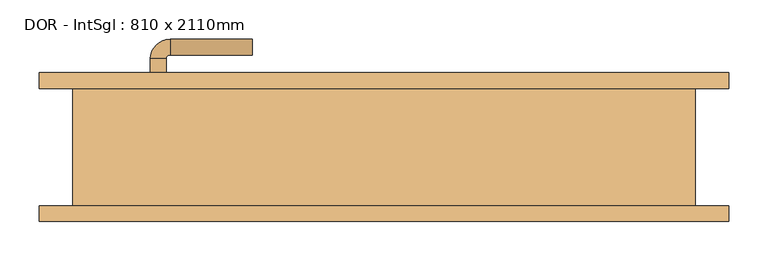
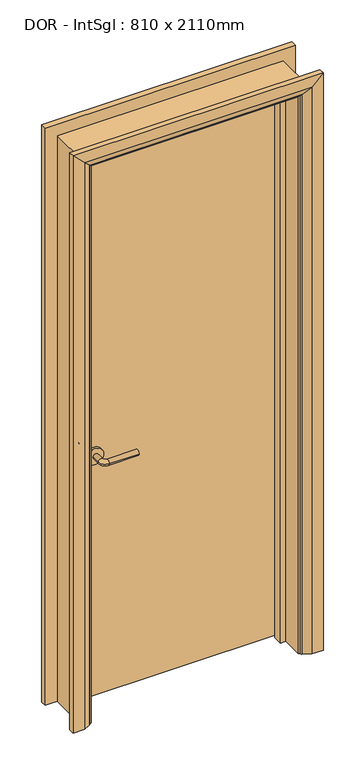
"""IFC4 building model written with IfcOpenShell, lengths in millimetres: door geometry, DOR - IntSgl : 810 x 2110mm."""

import ifcopenshell
import ifcopenshell.guid

model = None  # the IFC model being written
_history = None  # IfcOwnerHistory: only IFC2X3 demands one
_inside = {}  # id of a spatial element -> (the spatial element, [elements in it])
_under = {}  # id of a project, library or spatial element -> (it, [spatial elements below it])
_declared = {}  # id of a project -> (the project, [libraries it declares])
_typed = {}  # id of a type object -> (the type object, [elements of that type])
_made_of = {}  # id of a material, layer set ... -> (it, [elements and type objects made of it])


def new_model(schema):
    """Start an empty IFC model of exactly this schema.

    Asked for "IFC4X3", IfcOpenShell would pick the latest addendum, in which some entities
    have other attributes; the version numbers below select the first issue.
    IFC2X3 requires an IfcOwnerHistory on every rooted entity: one is made here for all.
    """
    global model, _history
    if schema == "IFC4X3":
        model = ifcopenshell.file(schema_version=(4, 3, 0, 0))
    else:
        model = ifcopenshell.file(schema=schema)
    _inside.clear()
    _under.clear()
    _declared.clear()
    _typed.clear()
    _made_of.clear()
    _history = None
    if model.schema == "IFC2X3":
        org = make("IfcOrganization", Name="unknown")
        user = make(
            "IfcPersonAndOrganization",
            ThePerson=make("IfcPerson", FamilyName="unknown"),
            TheOrganization=org,
        )
        app = make(
            "IfcApplication",
            ApplicationDeveloper=org,
            Version="unknown",
            ApplicationFullName="unknown",
            ApplicationIdentifier="unknown",
        )
        _history = make(
            "IfcOwnerHistory",
            OwningUser=user,
            OwningApplication=app,
            ChangeAction="ADDED",
            CreationDate=0,
        )
    return model


def make(cls, **values):
    """One entity of the class cls with the attributes given. An attribute that is None is left unset."""
    return model.create_entity(
        cls, **{name: value for name, value in values.items() if value is not None}
    )


def rooted(cls, **values):
    """An entity with a GlobalId (a new one), such as an element, a storey or a relation."""
    return make(cls, GlobalId=ifcopenshell.guid.new(), OwnerHistory=_history, **values)


def si_unit(unit_type, name, prefix=None):
    """IfcSIUnit, for example si_unit("LENGTHUNIT", "METRE", prefix="MILLI")."""
    return make("IfcSIUnit", UnitType=unit_type, Prefix=prefix, Name=name)


def assignment(units):
    """IfcUnitAssignment: the units of a project."""
    return None if units is None else make("IfcUnitAssignment", Units=units)


def point(xyz):
    """IfcCartesianPoint."""
    return None if xyz is None else make("IfcCartesianPoint", Coordinates=xyz)


def direction(xyz):
    """IfcDirection."""
    return None if xyz is None else make("IfcDirection", DirectionRatios=xyz)


def frame(location, z_axis=None, x_axis=None):
    """IfcAxis2Placement3D, a coordinate frame: its origin and axes. An axis left out is left unset."""
    return make(
        "IfcAxis2Placement3D",
        Location=point(location),
        Axis=direction(z_axis),
        RefDirection=direction(x_axis),
    )


def frame_2d(location, x_axis=None):
    """IfcAxis2Placement2D, a coordinate frame in the plane: its origin and x axis."""
    return make(
        "IfcAxis2Placement2D", Location=point(location), RefDirection=direction(x_axis)
    )


def origin():
    """The frame at (0, 0, 0) with its axes left unset."""
    return frame((0.0, 0.0, 0.0))


def place(relative_to, where):
    """IfcLocalPlacement: puts the frame where relative to a parent placement (None: the world)."""
    return make(
        "IfcLocalPlacement", PlacementRelTo=relative_to, RelativePlacement=where
    )


def context(
    kind, dimensions, precision=None, world=None, true_north=None, identifier=None
):
    """IfcGeometricRepresentationContext, for example the 3D "Model" context."""
    return make(
        "IfcGeometricRepresentationContext",
        ContextIdentifier=identifier,
        ContextType=kind,
        CoordinateSpaceDimension=dimensions,
        Precision=precision,
        WorldCoordinateSystem=world,
        TrueNorth=true_north,
    )


def project(units=None, contexts=None):
    """IfcProject with its units and contexts."""
    return rooted(
        "IfcProject",
        Name="project",
        RepresentationContexts=contexts,
        UnitsInContext=assignment(units),
    )


def spatial(cls, under=None, at=None, **own):
    """A site, building, storey or space (cls), placed at a placement, below another one or the project."""
    s = rooted(cls, ObjectPlacement=at, **own)
    if under is not None:
        _under.setdefault(under.id(), (under, []))[1].append(s)
    return s


def polyline(points):
    """IfcPolyline through the points."""
    return make("IfcPolyline", Points=[point(p) for p in points])


def circle_curve(where, radius):
    """IfcCircle in the frame where."""
    return make("IfcCircle", Position=where, Radius=radius)


def ellipse_curve(where, semi_axis1, semi_axis2):
    """IfcEllipse in the frame where."""
    return make(
        "IfcEllipse", Position=where, SemiAxis1=semi_axis1, SemiAxis2=semi_axis2
    )


def trimmed(basis, trim1, trim2, sense, master):
    """IfcTrimmedCurve: the piece of a basis curve between two trims."""
    return make(
        "IfcTrimmedCurve",
        BasisCurve=basis,
        Trim1=trim1,
        Trim2=trim2,
        SenseAgreement=sense,
        MasterRepresentation=master,
    )


def segment(curve, same_sense, transition):
    """IfcCompositeCurveSegment."""
    return make(
        "IfcCompositeCurveSegment",
        Transition=transition,
        SameSense=same_sense,
        ParentCurve=curve,
    )


def composite_curve(segments, self_intersect=None):
    """IfcCompositeCurve: segments joined end to end."""
    return make("IfcCompositeCurve", Segments=segments, SelfIntersect=self_intersect)


def outline(outer, holes=None, kind="AREA"):
    """IfcArbitraryClosedProfileDef: a profile drawn as a closed curve; with holes, ...WithVoids."""
    if holes is None:
        return make("IfcArbitraryClosedProfileDef", ProfileType=kind, OuterCurve=outer)
    return make(
        "IfcArbitraryProfileDefWithVoids",
        ProfileType=kind,
        OuterCurve=outer,
        InnerCurves=holes,
    )


def extrude(swept, where, along, depth):
    """IfcExtrudedAreaSolid: the profile swept, set in the frame where, extruded along a direction by depth."""
    return make(
        "IfcExtrudedAreaSolid",
        SweptArea=swept,
        Position=where,
        ExtrudedDirection=direction(along),
        Depth=depth,
    )


def faces_of(points, faces, orient=None, outer=None):
    """IfcFace entities. A face is a list of loops; a loop is a list of indices into points, from 0.

    orient and outer hold one flag for each loop. By default every Orientation is true, the
    first loop of a face is its IfcFaceOuterBound and the others are IfcFaceBound.
    """
    made = []
    for i, loops in enumerate(faces):
        bounds = []
        for j, loop in enumerate(loops):
            is_outer = j == 0 if outer is None else outer[i][j]
            bounds.append(
                make(
                    "IfcFaceOuterBound" if is_outer else "IfcFaceBound",
                    Bound=make("IfcPolyLoop", Polygon=[points[k] for k in loop]),
                    Orientation=True if orient is None else orient[i][j],
                )
            )
        made.append(make("IfcFace", Bounds=bounds))
    return made


def faceted_brep(points, faces, orient=None, outer=None, voids=None):
    """IfcFacetedBrep: a solid bounded by flat faces; with voids (closed shells), ...WithVoids."""
    shared = [point(p) for p in points]
    hull = make("IfcClosedShell", CfsFaces=faces_of(shared, faces, orient, outer))
    if voids is None:
        return make("IfcFacetedBrep", Outer=hull)
    return make(
        "IfcFacetedBrepWithVoids",
        Outer=hull,
        Voids=[
            make(cls, CfsFaces=faces_of(shared, fs, o, b)) for cls, fs, o, b in voids
        ],
    )


def shape(context_of_items, identifier, shape_type, items):
    """IfcShapeRepresentation: the items that make up one representation, for example the "Body"."""
    return make(
        "IfcShapeRepresentation",
        ContextOfItems=context_of_items,
        RepresentationIdentifier=identifier,
        RepresentationType=shape_type,
        Items=items,
    )


def source(mapping_origin, context_of_items, identifier, shape_type, items):
    """IfcRepresentationMap: a shape defined once, which mapped items show again and again."""
    return make(
        "IfcRepresentationMap",
        MappingOrigin=mapping_origin,
        MappedRepresentation=shape(context_of_items, identifier, shape_type, items),
    )


def transform(
    local_origin,
    x_axis=None,
    y_axis=None,
    z_axis=None,
    scale=None,
    scale2=None,
    scale3=None,
    uniform=True,
):
    """IfcCartesianTransformationOperator3D, or its non-uniform kind. x_axis, y_axis, z_axis: its Axis1, 2, 3."""
    if uniform:
        return make(
            "IfcCartesianTransformationOperator3D",
            Axis1=direction(x_axis),
            Axis2=direction(y_axis),
            LocalOrigin=point(local_origin),
            Scale=scale,
            Axis3=direction(z_axis),
        )
    return make(
        "IfcCartesianTransformationOperator3DnonUniform",
        Axis1=direction(x_axis),
        Axis2=direction(y_axis),
        LocalOrigin=point(local_origin),
        Scale=scale,
        Axis3=direction(z_axis),
        Scale2=scale2,
        Scale3=scale3,
    )


def mapped(mapping_source, mapping_target):
    """IfcMappedItem: shows the shape of a source again, moved by a transform."""
    return make(
        "IfcMappedItem", MappingSource=mapping_source, MappingTarget=mapping_target
    )


def made_of(thing, what):
    """Note that an element or type object is made of a material, layer set ...; save() writes the relation."""
    if what is not None:
        _made_of.setdefault(what.id(), (what, []))[1].append(thing)
    return thing


def element(
    cls,
    number,
    at=None,
    inside=None,
    cuts=None,
    type_object=None,
    material=None,
    context=None,
    identifier="Body",
    shape_type=None,
    held_by="IfcProductDefinitionShape",
    body=None,
    shapes=None,
    **own,
):
    """One element of the class cls, such as IfcWall. Its Tag is "e" and its number.

    at: its placement. inside: the storey or other place that contains it. cuts: it is an
    opening in that element (IfcRelVoidsElement). A single representation is given by context,
    identifier, shape_type and body (its items); several are given by shapes. held_by: the class
    of the entity that holds the representations. save() writes the other relations.
    """
    e = rooted(cls, Tag="e%d" % number, ObjectPlacement=at, **own)
    if body is not None:
        shapes = [shape(context, identifier, shape_type, body)]
    if shapes is not None:
        e.Representation = make(held_by, Representations=shapes)
    if inside is not None:
        _inside.setdefault(inside.id(), (inside, []))[1].append(e)
    if cuts is not None:
        rooted(
            "IfcRelVoidsElement", RelatingBuildingElement=cuts, RelatedOpeningElement=e
        )
    if type_object is not None:
        _typed.setdefault(type_object.id(), (type_object, []))[1].append(e)
    return made_of(e, material)


def aggregate(whole, parts):
    """IfcRelAggregates: a whole, such as a stair, and the parts it consists of."""
    return rooted("IfcRelAggregates", RelatingObject=whole, RelatedObjects=parts)


def save(model, path):
    """Write the relations noted so far, then the file.

    IfcRelAggregates (storeys below a building ...), IfcRelContainedInSpatialStructure (elements
    in a storey), IfcRelDefinesByType, IfcRelAssociatesMaterial and IfcRelDeclares: one each for
    every whole, place, type object, material and project.
    """
    for whole, parts in _under.values():
        aggregate(whole, parts)
    for where, things in _inside.values():
        rooted(
            "IfcRelContainedInSpatialStructure",
            RelatedElements=things,
            RelatingStructure=where,
        )
    for kind, things in _typed.values():
        rooted("IfcRelDefinesByType", RelatedObjects=things, RelatingType=kind)
    for what, things in _made_of.values():
        rooted("IfcRelAssociatesMaterial", RelatedObjects=things, RelatingMaterial=what)
    for by, libraries in _declared.values():
        rooted("IfcRelDeclares", RelatingContext=by, RelatedDefinitions=libraries)
    model.write(path)


def plane_surface(at):
    """IfcPlane: the flat surface through the origin of the frame at, square to its z axis."""
    return make("IfcPlane", Position=at)


def cylinder_surface(at, radius):
    """IfcCylindricalSurface: all points at the distance radius from the z axis of the frame at."""
    return make("IfcCylindricalSurface", Position=at, Radius=radius)


def revolved_surface(curve, axis_point, axis_direction):
    """IfcSurfaceOfRevolution: the curve turned about the line through axis_point along axis_direction."""
    return make(
        "IfcSurfaceOfRevolution",
        SweptCurve=make("IfcArbitraryOpenProfileDef", ProfileType="CURVE", Curve=curve),
        AxisPosition=make("IfcAxis1Placement", Location=point(axis_point), Axis=direction(axis_direction)),
    )


def advanced_brep(points, edges, surfaces, faces):
    """IfcAdvancedBrep: a solid bounded by faces that lie on surfaces and meet in shared edges.

    An edge is (start, end): straight between two places in points (the first is 0);
    or (start, end, curve); or (start, end, curve, False) where it runs against its curve.
    A face is (place in surfaces, loops), or (place, loops, False) where it looks against
    its surface's normal. A loop lists edges by number (the first is 1), with a minus sign
    where the edge is run from its end to its start. The first loop is the outer one.
    """
    corners = [point(p) for p in points]
    vertices = [make("IfcVertexPoint", VertexGeometry=c) for c in corners]
    made = []
    for start, end, *more in edges:
        made.append(
            make(
                "IfcEdgeCurve",
                EdgeStart=vertices[start],
                EdgeEnd=vertices[end],
                EdgeGeometry=more[0] if more else make("IfcPolyline", Points=[corners[start], corners[end]]),
                SameSense=more[1] if len(more) > 1 else True,
            )
        )
    hull = []
    for where, loops, *sense in faces:
        bounds = []
        for j, loop in enumerate(loops):
            ring = [make("IfcOrientedEdge", EdgeElement=made[abs(k) - 1], Orientation=k > 0) for k in loop]
            bounds.append(
                make(
                    "IfcFaceOuterBound" if j == 0 else "IfcFaceBound",
                    Bound=make("IfcEdgeLoop", EdgeList=ring),
                    Orientation=True,
                )
            )
        hull.append(make("IfcAdvancedFace", Bounds=bounds, FaceSurface=surfaces[where], SameSense=sense[0] if sense else True))
    return make("IfcAdvancedBrep", Outer=make("IfcClosedShell", CfsFaces=hull))


def dor_intsgl_810_x_2110mm_f0e9b610(model_context):
    return source(origin(), model_context, "Body", "SolidModel", [
        advanced_brep(
        [(-298.0, 29.0, 900.0), (-278.0, 29.0, 900.0), (-278.0, -1.0, 900.0), (-298.0, -1.0, 900.0), (-273.0, -6.0, 900.0), (-273.0, -26.0, 900.0), (-168.0, -26.0, 900.0), (-168.0, -6.0, 900.0)],
        [
            (0, 1, circle_curve(frame((-288.0, 29.0, 900.0), z_axis=(0.0, 1.0, 0.0), x_axis=(1.0, 0.0, 0.0)), 10.0)),
            (1, 0, circle_curve(frame((-288.0, 29.0, 900.0), z_axis=(0.0, 1.0, 0.0), x_axis=(1.0, 0.0, 0.0)), 10.0)),
            (1, 2),
            (2, 3, circle_curve(frame((-288.0, -1.0, 900.0), z_axis=(0.0, 1.0, 0.0), x_axis=(1.0, 0.0, 0.0)), 10.0)),
            (3, 0),
            (3, 2, circle_curve(frame((-288.0, -1.0, 900.0), z_axis=(0.0, 1.0, 0.0), x_axis=(1.0, 0.0, 0.0)), 10.0)),
            (4, 5, circle_curve(frame((-273.0, -16.0, 900.0), z_axis=(-1.0, 0.0, 0.0), x_axis=(0.0, 1.0, 0.0)), 10.0)),
            (5, 3, circle_curve(frame((-273.0, -1.0, 900.0), z_axis=(0.0, 0.0, -1.0), x_axis=(-1.0, 0.0, 0.0)), 25.0)),
            (2, 4, circle_curve(frame((-273.0, -1.0, 900.0), z_axis=(0.0, 0.0, 1.0), x_axis=(-1.0, 0.0, 0.0)), 5.0)),
            (5, 4, circle_curve(frame((-273.0, -16.0, 900.0), z_axis=(-1.0, 0.0, 0.0), x_axis=(0.0, 1.0, 0.0)), 10.0)),
            (6, 7, circle_curve(frame((-168.0, -16.0, 900.0), z_axis=(1.0, 0.0, 0.0), x_axis=(0.0, 1.0, 0.0)), 10.0)),
            (7, 6, circle_curve(frame((-168.0, -16.0, 900.0), z_axis=(1.0, 0.0, 0.0), x_axis=(0.0, 1.0, 0.0)), 10.0)),
            (4, 7),
            (6, 5),
        ],
        [
            plane_surface(frame((-288.0, 29.0, 900.0), z_axis=(0.0, 1.0, 0.0), x_axis=(0.0, 0.0, 1.0))),
            cylinder_surface(frame((-288.0, 29.0, 900.0), z_axis=(0.0, 1.0, 0.0), x_axis=(1.0, 0.0, 0.0)), 10.0),
            revolved_surface(trimmed(ellipse_curve(frame((-288.0, -1.0, 900.0), z_axis=(0.0, -1.0, 0.0), x_axis=(1.0, 0.0, 0.0)), 10.0, 10.0), [point((-298.0, -1.0, 900.0))], [point((-278.0, -1.0, 900.0))], True, "CARTESIAN"), (-273.0, -1.0, 900.0), (0.0, 0.0, -1.0)),
            revolved_surface(trimmed(ellipse_curve(frame((-288.0, -1.0, 900.0), z_axis=(0.0, -1.0, 0.0), x_axis=(1.0, 0.0, 0.0)), 10.0, 10.0), [point((-278.0, -1.0, 900.0))], [point((-298.0, -1.0, 900.0))], True, "CARTESIAN"), (-273.0, -1.0, 900.0), (0.0, 0.0, -1.0)),
            plane_surface(frame((-168.0, -16.0, 900.0), z_axis=(1.0, 0.0, 0.0), x_axis=(0.0, 0.0, 1.0))),
            cylinder_surface(frame((-273.0, -16.0, 900.0), z_axis=(-1.0, 0.0, 0.0), x_axis=(0.0, 1.0, 0.0)), 10.0),
        ],
        [
            (0, [[1, 2]]),
            (1, [[3, 4, 5, -2]]),
            (1, [[-5, 6, -3, -1]]),
            (2, [[7, 8, -4, 9]]),
            (3, [[10, -9, -6, -8]]),
            (4, [[11, 12]]),
            (5, [[13, -11, 14, -7]]),
            (5, [[-14, -12, -13, -10]]),
        ],
    ),
        extrude(outline(composite_curve([segment(trimmed(circle_curve(frame_2d((900.0, -290.5)), 30.0), [point((900.0, -320.5))], [point((900.0, -260.5))], False, "CARTESIAN"), True, "CONTINUOUS"), segment(trimmed(circle_curve(frame_2d((900.0, -290.5)), 30.0), [point((900.0, -260.5))], [point((900.0, -320.5))], False, "CARTESIAN"), True, "CONTINUOUS")], self_intersect=False)), frame((0.0, 29.0, 0.0), z_axis=(0.0, 1.0, 0.0), x_axis=(0.0, 0.0, 1.0)), (0.0, 0.0, 1.0), 8.0),
        advanced_brep(
        [(-298.0, 83.0, 900.0), (-278.0, 83.0, 900.0), (-298.0, 113.0, 900.0), (-278.0, 113.0, 900.0), (-273.0, 118.0, 900.0), (-273.0, 138.0, 900.0), (-168.0, 138.0, 900.0), (-168.0, 118.0, 900.0)],
        [
            (0, 1, circle_curve(frame((-288.0, 83.0, 900.0), z_axis=(0.0, -1.0, 0.0), x_axis=(1.0, 0.0, 0.0)), 10.0)),
            (1, 0, circle_curve(frame((-288.0, 83.0, 900.0), z_axis=(0.0, -1.0, 0.0), x_axis=(1.0, 0.0, 0.0)), 10.0)),
            (0, 2),
            (2, 3, circle_curve(frame((-288.0, 113.0, 900.0), z_axis=(0.0, -1.0, 0.0), x_axis=(1.0, 0.0, 0.0)), 10.0)),
            (3, 1),
            (3, 2, circle_curve(frame((-288.0, 113.0, 900.0), z_axis=(0.0, -1.0, 0.0), x_axis=(1.0, 0.0, 0.0)), 10.0)),
            (4, 3, circle_curve(frame((-273.0, 113.0, 900.0), z_axis=(0.0, 0.0, 1.0), x_axis=(-1.0, 0.0, 0.0)), 5.0)),
            (2, 5, circle_curve(frame((-273.0, 113.0, 900.0), z_axis=(0.0, 0.0, -1.0), x_axis=(-1.0, 0.0, 0.0)), 25.0)),
            (5, 4, circle_curve(frame((-273.0, 128.0, 900.0), z_axis=(-1.0, 0.0, 0.0), x_axis=(0.0, -1.0, 0.0)), 10.0)),
            (4, 5, circle_curve(frame((-273.0, 128.0, 900.0), z_axis=(-1.0, 0.0, 0.0), x_axis=(0.0, -1.0, 0.0)), 10.0)),
            (6, 7, circle_curve(frame((-168.0, 128.0, 900.0), z_axis=(1.0, 0.0, 0.0), x_axis=(0.0, -1.0, 0.0)), 10.0)),
            (7, 6, circle_curve(frame((-168.0, 128.0, 900.0), z_axis=(1.0, 0.0, 0.0), x_axis=(0.0, -1.0, 0.0)), 10.0)),
            (5, 6),
            (7, 4),
        ],
        [
            plane_surface(frame((-288.0, 83.0, 900.0), z_axis=(0.0, -1.0, 0.0), x_axis=(0.0, 0.0, 1.0))),
            cylinder_surface(frame((-288.0, 83.0, 900.0), z_axis=(0.0, -1.0, 0.0), x_axis=(1.0, 0.0, 0.0)), 10.0),
            revolved_surface(trimmed(ellipse_curve(frame((-288.0, 113.0, 900.0), z_axis=(0.0, -1.0, 0.0), x_axis=(1.0, 0.0, 0.0)), 10.0, 10.0), [point((-298.0, 113.0, 900.0))], [point((-278.0, 113.0, 900.0))], True, "CARTESIAN"), (-273.0, 113.0, 900.0), (0.0, 0.0, -1.0)),
            revolved_surface(trimmed(ellipse_curve(frame((-288.0, 113.0, 900.0), z_axis=(0.0, -1.0, 0.0), x_axis=(1.0, 0.0, 0.0)), 10.0, 10.0), [point((-278.0, 113.0, 900.0))], [point((-298.0, 113.0, 900.0))], True, "CARTESIAN"), (-273.0, 113.0, 900.0), (0.0, 0.0, -1.0)),
            plane_surface(frame((-168.0, 128.0, 900.0), z_axis=(1.0, 0.0, 0.0), x_axis=(0.0, 0.0, 1.0))),
            cylinder_surface(frame((-273.0, 128.0, 900.0), z_axis=(-1.0, 0.0, 0.0), x_axis=(0.0, -1.0, 0.0)), 10.0),
        ],
        [
            (0, [[1, 2]]),
            (1, [[-1, 3, 4, 5]]),
            (1, [[-2, -5, 6, -3]]),
            (2, [[7, -4, 8, 9]]),
            (3, [[-8, -6, -7, 10]]),
            (4, [[11, 12]]),
            (5, [[-9, 13, -12, 14]]),
            (5, [[-10, -14, -11, -13]]),
        ],
    ),
        extrude(outline(composite_curve([segment(trimmed(circle_curve(frame_2d((900.0, -290.5)), 30.0), [point((900.0, -320.5))], [point((900.0, -260.5))], False, "CARTESIAN"), True, "CONTINUOUS"), segment(trimmed(circle_curve(frame_2d((900.0, -290.5)), 30.0), [point((900.0, -260.5))], [point((900.0, -320.5))], False, "CARTESIAN"), True, "CONTINUOUS")], self_intersect=False)), frame((0.0, 75.0, 0.0), z_axis=(0.0, 1.0, 0.0), x_axis=(0.0, 0.0, 1.0)), (0.0, 0.0, 1.0), 8.0),
        extrude(outline(polyline([(363.0, 37.0), (-363.0, 37.0), (-363.0, 75.0), (363.0, 75.0), (363.0, 37.0)])), frame((0.0, 0.0, 8.0), z_axis=(0.0, 0.0, 1.0), x_axis=(1.0, 0.0, 0.0)), (0.0, 0.0, 1.0), 2060.0),
        advanced_brep(
        [(440.0, 95.0, 0.0), (440.0, 75.0, 0.0), (370.0, 75.0, 0.0), (374.0, 81.0, 0.0), (400.0, 95.0, 0.0), (440.0, 95.0, 2145.0), (440.0, 75.0, 2145.0), (-440.0, 75.0, 2145.0), (-440.0, 75.0, 0.0), (-370.0, 75.0, 0.0), (-370.0, 75.0, 2075.0), (370.0, 75.0, 2075.0), (374.0, 81.0, 2079.0), (400.0, 95.0, 2105.0), (-400.0, 95.0, 2105.0), (-400.0, 95.0, 0.0), (-440.0, 95.0, 0.0), (-440.0, 95.0, 2145.0), (-374.0, 81.0, 2079.0), (-374.0, 81.0, 0.0)],
        [
            (0, 1),
            (1, 2),
            (2, 3, circle_curve(frame((378.0, 74.0, 0.0), z_axis=(0.0, 0.0, -1.0), x_axis=(1.0, 0.0, 0.0)), 8.0622577)),
            (3, 4),
            (4, 0),
            (0, 5),
            (5, 6),
            (6, 1),
            (6, 7),
            (7, 8),
            (8, 9),
            (9, 10),
            (10, 11),
            (11, 2),
            (11, 12, ellipse_curve(frame((378.0, 74.0, 2083.0), z_axis=(0.7071067811865475, 0.0, -0.7071067811865475), x_axis=(-0.7071067811865474, 0.0, -0.7071067811865476)), 11.4017543, 8.0622577)),
            (12, 3),
            (12, 13),
            (13, 4),
            (13, 14),
            (14, 15),
            (15, 16),
            (16, 17),
            (17, 5),
            (17, 7),
            (10, 18, ellipse_curve(frame((-378.0, 74.0, 2083.0), z_axis=(0.7071067811865475, 0.0, 0.7071067811865475), x_axis=(0.7071067811865476, 0.0, -0.7071067811865474)), 11.4017543, 8.0622577)),
            (18, 12),
            (18, 14),
            (15, 19),
            (19, 9, circle_curve(frame((-378.0, 74.0, 0.0), z_axis=(0.0, 0.0, -1.0), x_axis=(-1.0, 0.0, 0.0)), 8.0622577)),
            (8, 16),
            (19, 18),
        ],
        [
            plane_surface(frame((370.0, 75.0, 0.0), z_axis=(0.0, 0.0, -1.0), x_axis=(0.0, -1.0, 0.0))),
            plane_surface(frame((440.0, 95.0, 0.0), z_axis=(1.0, 0.0, 0.0), x_axis=(0.0, 0.0, 1.0))),
            plane_surface(frame((440.0, 75.0, 0.0), z_axis=(0.0, -1.0, 0.0), x_axis=(0.0, 0.0, 1.0))),
            cylinder_surface(frame((378.0, 74.0, 0.0), z_axis=(0.0, 0.0, -1.0), x_axis=(1.0, 0.0, 0.0)), 8.0622577),
            plane_surface(frame((374.0, 81.0, 0.0), z_axis=(-0.4740998230350126, 0.880471099922178, 0.0), x_axis=(0.0, 0.0, 1.0))),
            plane_surface(frame((400.0, 95.0, 0.0), z_axis=(0.0, 1.0, 0.0), x_axis=(0.0, 0.0, 1.0))),
            plane_surface(frame((440.0, 95.0, 2145.0), z_axis=(0.0, 0.0, 1.0), x_axis=(-1.0, 0.0, 0.0))),
            cylinder_surface(frame((370.0, 74.0, 2083.0), z_axis=(1.0, 0.0, 0.0), x_axis=(0.0, 0.0, 1.0)), 8.0622577),
            plane_surface(frame((374.0, 81.0, 2079.0), z_axis=(0.0, 0.8804710999221764, -0.4740998230350154), x_axis=(-1.0, 0.0, 0.0))),
            plane_surface(frame((-370.0, 75.0, 0.0), z_axis=(0.0, 0.0, -1.0), x_axis=(0.0, -1.0, 0.0))),
            plane_surface(frame((-440.0, 95.0, 2145.0), z_axis=(-1.0, 0.0, 0.0), x_axis=(0.0, 0.0, -1.0))),
            cylinder_surface(frame((-378.0, 74.0, 2075.0), z_axis=(0.0, 0.0, 1.0), x_axis=(-1.0, 0.0, 0.0)), 8.0622577),
            plane_surface(frame((-374.0, 81.0, 2079.0), z_axis=(0.47409982303501824, 0.8804710999221749, 0.0), x_axis=(0.0, 0.0, -1.0))),
        ],
        [
            (0, [[1, 2, 3, 4, 5]]),
            (1, [[-1, 6, 7, 8]]),
            (2, [[-2, -8, 9, 10, 11, 12, 13, 14]]),
            (3, [[-3, -14, 15, 16]]),
            (4, [[-4, -16, 17, 18]]),
            (5, [[-5, -18, 19, 20, 21, 22, 23, -6]]),
            (6, [[-7, -23, 24, -9]]),
            (7, [[-15, -13, 25, 26]]),
            (8, [[-17, -26, 27, -19]]),
            (9, [[-21, 28, 29, -11, 30]]),
            (10, [[-24, -22, -30, -10]]),
            (11, [[-25, -12, -29, 31]]),
            (12, [[-27, -31, -28, -20]]),
        ],
    ),
        extrude(outline(polyline([(0.0, -365.0), (0.0, -346.0), (2051.0, -346.0), (2051.0, 346.0), (0.0, 346.0), (0.0, 365.0), (2070.0, 365.0), (2070.0, -365.0), (0.0, -365.0)])), frame((0.0, 3.0, 0.0), z_axis=(0.0, 1.0, 0.0), x_axis=(0.0, 0.0, 1.0)), (0.0, 0.0, 1.0), 32.0),
        advanced_brep(
        [(-440.0, -95.0, 0.0), (-440.0, -75.0, 0.0), (-370.0, -75.0, 0.0), (-374.0, -81.0, 0.0), (-400.0, -95.0, 0.0), (-440.0, -95.0, 2145.0), (-440.0, -75.0, 2145.0), (-370.0, -75.0, 2075.0), (-374.0, -81.0, 2079.0), (-400.0, -95.0, 2105.0), (440.0, -95.0, 2145.0), (440.0, -75.0, 2145.0), (370.0, -75.0, 2075.0), (374.0, -81.0, 2079.0), (400.0, -95.0, 2105.0), (440.0, -95.0, 0.0), (400.0, -95.0, 0.0), (374.0, -81.0, 0.0), (370.0, -75.0, 0.0), (440.0, -75.0, 0.0)],
        [
            (0, 1),
            (1, 2),
            (2, 3, circle_curve(frame((-378.0, -74.0, 0.0), z_axis=(0.0, 0.0, -1.0), x_axis=(-1.0, 0.0, 0.0)), 8.0622577)),
            (3, 4),
            (4, 0),
            (0, 5),
            (5, 6),
            (6, 1),
            (6, 7),
            (7, 2),
            (7, 8, ellipse_curve(frame((-378.0, -74.0, 2083.0), z_axis=(-0.7071067811865475, 0.0, -0.7071067811865475), x_axis=(0.7071067811865474, 0.0, -0.7071067811865476)), 11.4017543, 8.0622577)),
            (8, 3),
            (8, 9),
            (9, 4),
            (9, 5),
            (5, 10),
            (10, 11),
            (11, 6),
            (11, 12),
            (12, 7),
            (12, 13, ellipse_curve(frame((378.0, -74.0, 2083.0), z_axis=(-0.7071067811865475, 0.0, 0.7071067811865475), x_axis=(-0.7071067811865476, 0.0, -0.7071067811865474)), 11.4017543, 8.0622577)),
            (13, 8),
            (13, 14),
            (14, 9),
            (14, 10),
            (15, 16),
            (16, 17),
            (17, 18, circle_curve(frame((378.0, -74.0, 0.0), z_axis=(0.0, 0.0, -1.0), x_axis=(1.0, 0.0, 0.0)), 8.0622577)),
            (18, 19),
            (19, 15),
            (10, 15),
            (19, 11),
            (18, 12),
            (17, 13),
            (16, 14),
        ],
        [
            plane_surface(frame((-370.0, -147.8010989, 0.0), z_axis=(0.0, 0.0, -1.0), x_axis=(1.0, 0.0, 0.0))),
            plane_surface(frame((-440.0, -95.0, 0.0), z_axis=(-1.0, 0.0, 0.0), x_axis=(0.0, 0.0, 1.0))),
            plane_surface(frame((-440.0, -75.0, 0.0), z_axis=(0.0, 1.0, 0.0), x_axis=(0.0, 0.0, 1.0))),
            cylinder_surface(frame((-378.0, -74.0, 0.0), z_axis=(0.0, 0.0, -1.0), x_axis=(-1.0, 0.0, 0.0)), 8.0622577),
            plane_surface(frame((-374.0, -81.0, 0.0), z_axis=(0.4740998230350183, -0.8804710999221749, 0.0), x_axis=(0.0, 0.0, 1.0))),
            plane_surface(frame((-400.0, -95.0, 0.0), z_axis=(0.0, -1.0, 0.0), x_axis=(0.0, 0.0, 1.0))),
            plane_surface(frame((-440.0, -95.0, 2145.0), z_axis=(0.0, 0.0, 1.0), x_axis=(1.0, 0.0, 0.0))),
            plane_surface(frame((-440.0, -75.0, 2145.0), z_axis=(0.0, 1.0, 0.0), x_axis=(1.0, 0.0, 0.0))),
            cylinder_surface(frame((-370.0, -74.0, 2083.0), z_axis=(-1.0, 0.0, 0.0), x_axis=(0.0, 0.0, 1.0)), 8.0622577),
            plane_surface(frame((-374.0, -81.0, 2079.0), z_axis=(0.0, -0.8804710999221749, -0.4740998230350183), x_axis=(1.0, 0.0, 0.0))),
            plane_surface(frame((-400.0, -95.0, 2105.0), z_axis=(0.0, -1.0, 0.0), x_axis=(1.0, 0.0, 0.0))),
            plane_surface(frame((370.0, -147.8010989, 0.0), z_axis=(0.0, 0.0, -1.0), x_axis=(-1.0, 0.0, 0.0))),
            plane_surface(frame((440.0, -95.0, 2145.0), z_axis=(1.0, 0.0, 0.0), x_axis=(0.0, 0.0, -1.0))),
            plane_surface(frame((440.0, -75.0, 2145.0), z_axis=(0.0, 1.0, 0.0), x_axis=(0.0, 0.0, -1.0))),
            cylinder_surface(frame((378.0, -74.0, 2075.0), z_axis=(0.0, 0.0, 1.0), x_axis=(1.0, 0.0, 0.0)), 8.0622577),
            plane_surface(frame((374.0, -81.0, 2079.0), z_axis=(-0.4740998230350183, -0.8804710999221749, 0.0), x_axis=(0.0, 0.0, -1.0))),
            plane_surface(frame((400.0, -95.0, 2105.0), z_axis=(0.0, -1.0, 0.0), x_axis=(0.0, 0.0, -1.0))),
        ],
        [
            (0, [[1, 2, 3, 4, 5]]),
            (1, [[-1, 6, 7, 8]]),
            (2, [[-2, -8, 9, 10]]),
            (3, [[-3, -10, 11, 12]]),
            (4, [[-4, -12, 13, 14]]),
            (5, [[-5, -14, 15, -6]]),
            (6, [[-7, 16, 17, 18]]),
            (7, [[-9, -18, 19, 20]]),
            (8, [[-11, -20, 21, 22]]),
            (9, [[-13, -22, 23, 24]]),
            (10, [[-15, -24, 25, -16]]),
            (11, [[26, 27, 28, 29, 30]]),
            (12, [[-17, 31, -30, 32]]),
            (13, [[-19, -32, -29, 33]]),
            (14, [[-21, -33, -28, 34]]),
            (15, [[-23, -34, -27, 35]]),
            (16, [[-25, -35, -26, -31]]),
        ],
    ),
        faceted_brep([(-365.0, 75.0, 0.0), (-365.0, -75.0, 0.0), (-397.0, -75.0, 0.0), (-397.0, 75.0, 0.0), (-365.0, 75.0, 2070.0), (-365.0, -75.0, 2070.0), (-397.0, -75.0, 2102.0), (-397.0, 75.0, 2102.0), (365.0, 75.0, 2070.0), (365.0, -75.0, 2070.0), (397.0, -75.0, 2102.0), (397.0, 75.0, 2102.0), (365.0, 75.0, 0.0), (397.0, 75.0, 0.0), (397.0, -75.0, 0.0), (365.0, -75.0, 0.0)], [[[0, 1, 2, 3]], [[1, 0, 4, 5]], [[2, 1, 5, 6]], [[3, 2, 6, 7]], [[0, 3, 7, 4]], [[5, 4, 8, 9]], [[6, 5, 9, 10]], [[7, 6, 10, 11]], [[4, 7, 11, 8]], [[12, 13, 14, 15]], [[9, 8, 12, 15]], [[10, 9, 15, 14]], [[11, 10, 14, 13]], [[8, 11, 13, 12]]]),
    ])


if __name__ == "__main__":
    model = new_model("IFC4")
    model_context = context("Model", 3, world=origin())
    ifc_project = project(units=[si_unit("LENGTHUNIT", "METRE", prefix="MILLI")], contexts=[model_context])
    site = spatial("IfcSite", under=ifc_project)
    building = spatial("IfcBuilding", under=site)
    placement = place(None, origin())
    dor_intsgl_810_x_2110mm_shape = dor_intsgl_810_x_2110mm_f0e9b610(model_context)
    element("IfcDoor", 1, ObjectType="DOR - IntSgl : 810 x 2110mm", at=placement, inside=building, context=model_context, shape_type="MappedRepresentation", body=[
        mapped(dor_intsgl_810_x_2110mm_shape, transform((0.0, 0.0, 0.0), x_axis=(1.0, 0.0, 0.0), y_axis=(0.0, 1.0, 0.0), z_axis=(0.0, 0.0, 1.0))),
    ])
    save(model, "model.ifc")
